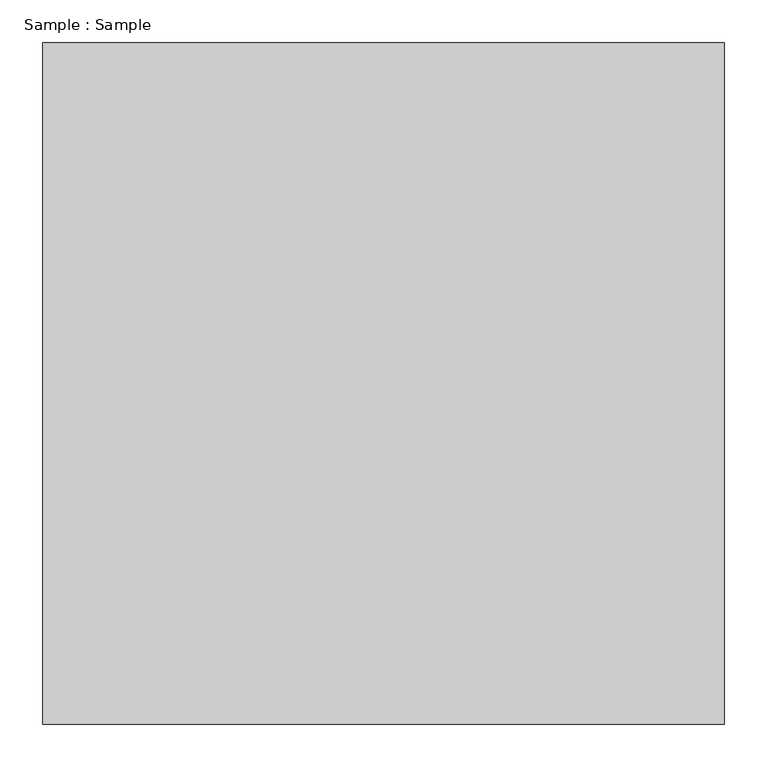
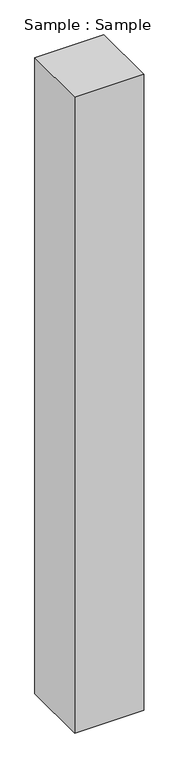
"""IFC4 building model written with IfcOpenShell, lengths in millimetres: proxy geometry, Sample : Sample."""

from ifc_helpers import new_model, si_unit, origin, origin_with_axes, place, context, project, spatial, polyline, outline, extrude, source, transform, mapped, element, save


def sample_sample_53aeeecc(model_context):
    return source(origin(), model_context, "Body", "SweptSolid", [
        extrude(outline(polyline([(400.0, 400.0), (400.0, -400.0), (-400.0, -400.0), (-400.0, 400.0), (400.0, 400.0)])), origin_with_axes(), (0.0, 0.0, 1.0), 7793.1034483),
    ])


if __name__ == "__main__":
    model = new_model("IFC4")
    model_context = context("Model", 3, world=origin())
    ifc_project = project(units=[si_unit("LENGTHUNIT", "METRE", prefix="MILLI")], contexts=[model_context])
    site = spatial("IfcSite", under=ifc_project)
    building = spatial("IfcBuilding", under=site)
    placement = place(None, origin())
    sample_sample_shape = sample_sample_53aeeecc(model_context)
    element("IfcBuildingElementProxy", 1, Name="Sample : Sample", ObjectType="Sample : Sample", at=placement, inside=building, context=model_context, shape_type="MappedRepresentation", body=[
        mapped(sample_sample_shape, transform((0.0, 0.0, 0.0), x_axis=(1.0, 0.0, 0.0), y_axis=(0.0, 1.0, 0.0), z_axis=(0.0, 0.0, 1.0))),
    ])
    save(model, "model.ifc")
